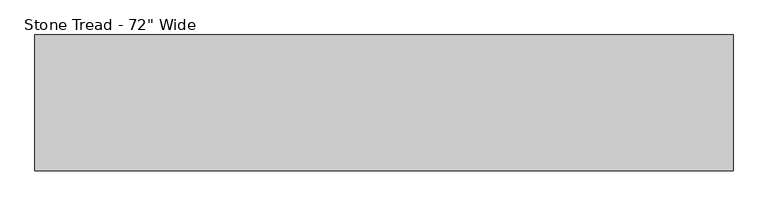
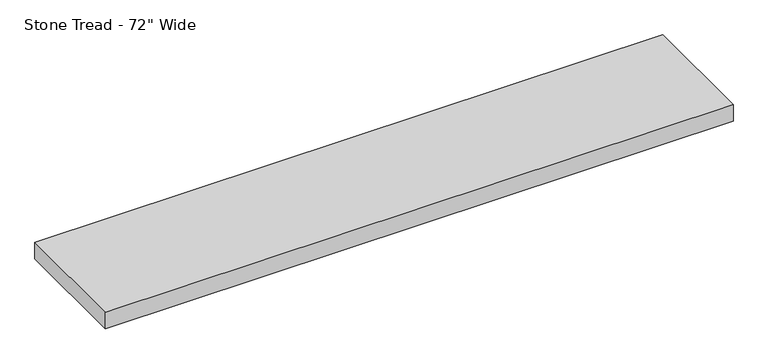
"""IFC4 building model written with IfcOpenShell, lengths in millimetres: proxy geometry."""

from ifc_helpers import new_model, si_unit, origin, origin_with_axes, place, context, project, spatial, polyline, outline, extrude, source, transform, mapped, element, save


def proxy_ec30011c(model_context):
    return source(origin(), model_context, "Body", "SweptSolid", [
        extrude(outline(polyline([(914.4, 355.6), (914.4, 0.0), (-914.4, 0.0), (-914.4, 355.6), (914.4, 355.6)])), origin_with_axes(), (0.0, 0.0, 1.0), 50.8),
    ])


if __name__ == "__main__":
    model = new_model("IFC4")
    model_context = context("Model", 3, world=origin())
    ifc_project = project(units=[si_unit("LENGTHUNIT", "METRE", prefix="MILLI")], contexts=[model_context])
    site = spatial("IfcSite", under=ifc_project)
    building = spatial("IfcBuilding", under=site)
    placement = place(None, origin())
    proxy_shape = proxy_ec30011c(model_context)
    element("IfcBuildingElementProxy", 1, Name="Stone Tread - 72\" Wide", ObjectType="Stone Tread - 72\" Wide", at=placement, inside=building, context=model_context, shape_type="MappedRepresentation", body=[
        mapped(proxy_shape, transform((0.0, 0.0, 0.0), x_axis=(1.0, 0.0, 0.0), y_axis=(0.0, 1.0, 0.0), z_axis=(0.0, 0.0, 1.0))),
    ])
    save(model, "model.ifc")
